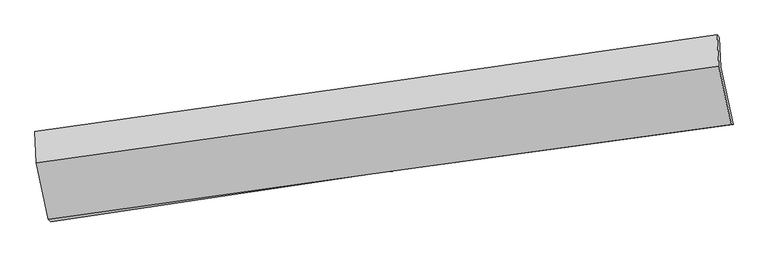
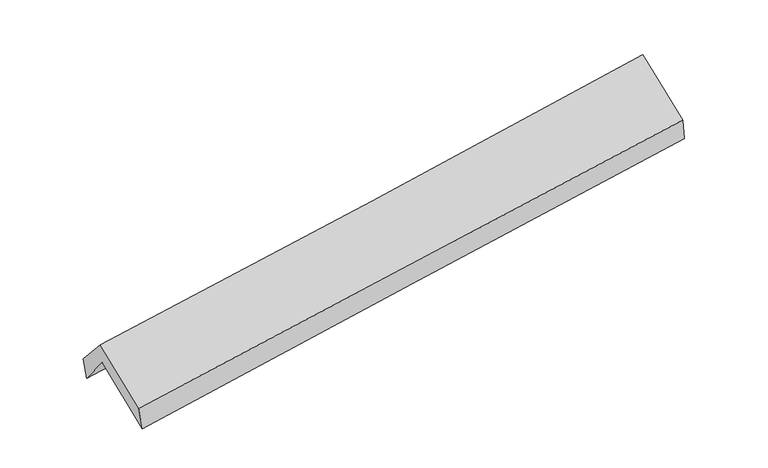
"""IFC4 building model written with IfcOpenShell, lengths in millimetres: proxy geometry."""

from ifc_helpers import new_model, si_unit, frame, origin, place, context, project, spatial, source, transform, mapped, element, save
from ifc_brep_helpers import plane_surface, spline_curve, spline_surface, advanced_brep


def generic_models_155bbd05(model_context):
    return source(origin(), model_context, "Body", "AdvancedBrep", [
        advanced_brep(
        [(-2892.375421, -2506.6513685, 1439.5126601), (-3000.9047488, -1999.0966017, 1874.8312978), (2938.7737659, -1156.58391, 2375.8453921), (3047.2334112, -1658.2864615, 1931.1828532), (-3011.3851053, -1741.2312323, 1553.1791701), (2928.7905287, -900.9062605, 2051.9604776), (-3030.886334, -1717.3907395, 1748.6989811), (2908.8006216, -875.0320929, 2249.878729), (-3017.2706646, -1992.7441859, 2062.6950232), (2922.247025, -1146.9624276, 2559.9712663), (-2913.1238615, -2482.3221528, 1649.3411251), (3030.3827675, -1655.2917798, 2130.7854502)],
        [
            (0, 1),
            (1, 2, spline_curve(3, [(-3000.9047488, -1999.0966017, 1874.8312978), (-2010.77194244, -1856.168971449, 1951.781940328), (-1020.735638597, -1714.496226558, 2032.008135109), (959.157202118, -1433.65862894, 2199.012745697), (1949.01373643, -1294.493810228, 2285.791248873), (2938.7737659, -1156.58391, 2375.8453921)], [4, 2, 4], [0.0, 9.875469659816432, 19.75107137686136])),
            (2, 3),
            (3, 0, spline_curve(3, [(3047.2334112, -1658.2864615, 1931.1828532), (2056.161382036, -1784.880344905, 1837.370505958), (1065.654659222, -1918.874884189, 1749.491581928), (-914.214936457, -2201.663384665, 1585.601676453), (-1903.577824224, -2350.457147522, 1509.590536013), (-2892.375421, -2506.6513685, 1439.5126601)], [4, 2, 4], [0.0, 9.87560171704493, 19.75107137686136])),
            (1, 4),
            (4, 5, spline_curve(3, [(-3011.3851053, -1741.2312323, 1553.1791701), (-2021.34053545, -1597.806500913, 1630.336674924), (-1031.306923833, -1456.067511298, 1710.480238791), (948.751621261, -1175.959142475, 1876.740594439), (1938.776554408, -1037.589808082, 1962.857466925), (2928.7905287, -900.9062605, 2051.9604776)], [4, 2, 4], [0.0, 9.87536077121196, 19.750853598196333])),
            (5, 2),
            (4, 6),
            (6, 7, spline_curve(3, [(-3030.886334, -1717.3907395, 1748.6989811), (-2039.686532016, -1579.433990594, 1821.336579298), (-1049.116023272, -1440.259539864, 1899.420041838), (930.779645211, -1159.473356777, 2066.479812137), (1920.10478839, -1017.861592237, 2155.456265753), (2908.8006216, -875.0320929, 2249.878729)], [4, 2, 4], [0.0, 9.875395846087716, 19.750923748416874])),
            (7, 5),
            (6, 8),
            (8, 9, spline_curve(3, [(-3017.2706646, -1992.7441859, 2062.6950232), (-2026.042652427, -1855.357944001, 2135.98319244), (-1035.472143632, -1716.183493114, 2214.066654985), (944.367103794, -1434.256288498, 2379.825274291), (1933.635825108, -1291.503486531, 2467.500559604), (2922.247025, -1146.9624276, 2559.9712663)], [4, 2, 4], [0.0, 9.8754508982468, 19.751033853471213])),
            (9, 7),
            (8, 10),
            (10, 11, spline_curve(3, [(-2913.1238615, -2482.3221528, 1649.3411251), (-1922.560659209, -2341.810742821, 1725.267894606), (-931.990150264, -2202.636291927, 1803.351356837), (1049.178725717, -1926.959465276, 1963.832740955), (2039.777093285, -1790.457125163, 2046.230720301), (3030.3827675, -1655.2917798, 2130.7854502)], [4, 2, 4], [0.0, 9.875362220636896, 19.750856497065584])),
            (11, 9),
            (10, 0),
            (3, 11),
        ],
        [
            spline_surface(3, 3, [[(-2892.375421, -2506.6513685, 1439.5126601), (-1903.577824273, -2350.457147443, 1509.59053596), (-914.214936431, -2201.663384546, 1585.601676346), (1065.654659196, -1918.874884308, 1749.491582035), (2056.161382064, -1784.880344835, 1837.370506004), (3047.2334112, -1658.2864615, 1931.1828532)], [(-2928.551863616, -2337.466446247, 1584.618872667), (-1939.309197051, -2185.694422155, 1656.987670781), (-949.721837201, -2039.274331884, 1734.403829294), (1030.15550683, -1757.136132566, 1899.331969923), (2020.445500197, -1621.4181666, 1986.844087011), (3011.0801961, -1491.052277646, 2079.403699505)], [(-2964.728306184, -2168.281523953, 1729.725085233), (-1975.04056978, -2020.931696826, 1804.384805601), (-985.22873789, -1876.88527915, 1883.205982201), (994.656354546, -1595.397380752, 2049.172357769), (1984.729618329, -1457.955988428, 2136.317668002), (2974.926981, -1323.818093854, 2227.624545795)], [(-3000.9047488, -1999.0966017, 1874.8312978), (-2010.771942558, -1856.168971538, 1951.781940423), (-1020.735638661, -1714.496226488, 2032.00813515), (959.157202181, -1433.65862901, 2199.012745656), (1949.013736462, -1294.493810193, 2285.791249009), (2938.7737659, -1156.58391, 2375.8453921)]], [4, 4], [4, 2, 4], [0.0, 2.196933642373657], [0.0, 9.875469659816432, 19.75107137686136]),
            spline_surface(3, 3, [[(-3000.9047488, -1999.0966017, 1874.8312978), (-2010.771942558, -1856.168971538, 1951.781940423), (-1020.735638661, -1714.496226488, 2032.00813515), (959.157202181, -1433.65862901, 2199.012745656), (1949.013736462, -1294.493810193, 2285.791249009), (2938.7737659, -1156.58391, 2375.8453921)], [(-3004.398200943, -1913.141478563, 1767.613921922), (-2014.294806778, -1770.048148037, 1844.633518657), (-1024.259400335, -1628.353321438, 1924.832169641), (955.68867521, -1347.758800115, 2091.588695295), (1945.601342413, -1208.859142845, 2178.146654957), (2935.446020157, -1071.358026853, 2267.883753922)], [(-3007.891653157, -1827.186355437, 1660.396545978), (-2017.817671069, -1683.927324547, 1737.485096825), (-1027.783162088, -1542.210416442, 1817.656204149), (952.220148162, -1261.858971275, 1984.164644951), (1942.188948393, -1123.224475437, 2070.502060939), (2932.118274443, -986.132143647, 2159.922115778)], [(-3011.3851053, -1741.2312323, 1553.1791701), (-2021.340535289, -1597.806501046, 1630.336675059), (-1031.306923763, -1456.067511392, 1710.48023864), (948.751621191, -1175.959142381, 1876.74059459), (1938.776554344, -1037.589808088, 1962.857466887), (2928.7905287, -900.9062605, 2051.9604776)]], [4, 4], [4, 2, 4], [0.0, 1.3540241816846044], [0.0, 9.87536077121196, 19.750853598196333]),
            spline_surface(3, 3, [[(-3011.3851053, -1741.2312323, 1553.1791701), (-2021.340535289, -1597.806501046, 1630.336675059), (-1031.306923763, -1456.067511392, 1710.48023864), (948.751621191, -1175.959142381, 1876.74059459), (1938.776554344, -1037.589808088, 1962.857466887), (2928.7905287, -900.9062605, 2051.9604776)], [(-3017.885514864, -1733.284401378, 1618.352440428), (-2027.455867551, -1591.682330906, 1694.00330981), (-1037.243290307, -1450.798187522, 1773.460173022), (942.760962553, -1170.46388052, 1939.987000426), (1932.552632383, -1031.013736082, 2027.057066476), (2922.12722632, -892.281537953, 2117.933228077)], [(-3024.385924436, -1725.337570422, 1683.525710772), (-2033.571199824, -1585.55816073, 1757.669944579), (-1043.179656823, -1445.528863683, 1836.44010745), (936.770303945, -1164.968618689, 2003.233406307), (1926.32871046, -1024.437664115, 2091.256666034), (2915.46392398, -883.656815447, 2183.905978523)], [(-3030.886334, -1717.3907395, 1748.6989811), (-2039.686532086, -1579.43399059, 1821.33657933), (-1049.116023368, -1440.259539813, 1899.420041832), (930.779645307, -1159.473356828, 2066.479812143), (1920.104788499, -1017.861592109, 2155.456265623), (2908.8006216, -875.0320929, 2249.878729)]], [4, 4], [4, 2, 4], [0.0, 0.6262043580646666], [0.0, 9.875395846087716, 19.750923748416874]),
            spline_surface(3, 3, [[(-3030.886334, -1717.3907395, 1748.6989811), (-2039.686532086, -1579.43399059, 1821.33657933), (-1049.116023368, -1440.259539813, 1899.420041832), (930.779645307, -1159.473356828, 2066.479812143), (1920.104788499, -1017.861592109, 2155.456265623), (2908.8006216, -875.0320929, 2249.878729)], [(-3026.347777553, -1809.175221612, 1853.364328456), (-2035.138572166, -1671.408641755, 1926.218783715), (-1044.568063449, -1532.234190979, 2004.302246216), (935.308798153, -1251.067667344, 2170.928299571), (1924.615134021, -1109.075556888, 2259.471030295), (2913.282756072, -965.675537804, 2353.242908087)], [(-3021.809221047, -1900.959703788, 1958.029675844), (-2030.590612188, -1763.383292985, 2031.100988131), (-1040.020103565, -1624.208842108, 2109.184450532), (939.837950962, -1342.661977823, 2275.376786931), (1929.125479526, -1200.289521656, 2363.485795005), (2917.764890528, -1056.318982696, 2456.607087213)], [(-3017.2706646, -1992.7441859, 2062.6950232), (-2026.042652268, -1855.357944151, 2135.983192515), (-1035.472143646, -1716.183493274, 2214.066654917), (944.367103808, -1434.256288339, 2379.825274359), (1933.635825047, -1291.503486436, 2467.500559676), (2922.247025, -1146.9624276, 2559.9712663)]], [4, 4], [4, 2, 4], [0.0, 1.3708981032592782], [0.0, 9.8754508982468, 19.751033853471213]),
            spline_surface(3, 3, [[(-3017.2706646, -1992.7441859, 2062.6950232), (-2026.042652268, -1855.357944151, 2135.983192515), (-1035.472143646, -1716.183493274, 2214.066654917), (944.367103808, -1434.256288339, 2379.825274359), (1933.635825047, -1291.503486436, 2467.500559676), (2922.247025, -1146.9624276, 2559.9712663)], [(-2982.555063557, -2155.936841537, 1924.91039049), (-1991.548654524, -2017.508877053, 1999.078093163), (-1000.978145901, -1878.334426176, 2077.161555564), (979.304311114, -1598.49068064, 2241.16109653), (1969.01624784, -1457.821365996, 2327.077279849), (2958.292272506, -1316.405545014, 2416.909327594)], [(-2947.839462543, -2319.129497163, 1787.12575781), (-1957.054656809, -2179.659809946, 1862.17299384), (-966.484148087, -2040.485359069, 1940.256456241), (1014.241518489, -1762.725072931, 2102.496918731), (2004.396670614, -1624.139245515, 2186.654000041), (2994.337519994, -1485.848662386, 2273.847388906)], [(-2913.1238615, -2482.3221528, 1649.3411251), (-1922.560659065, -2341.810742848, 1725.267894487), (-931.990150342, -2202.636291971, 1803.351356889), (1049.178725795, -1926.959465232, 1963.832740903), (2039.777093408, -1790.457125075, 2046.230720213), (3030.3827675, -1655.2917798, 2130.7854502)]], [4, 4], [4, 2, 4], [0.0, 2.1297546220746715], [0.0, 9.875362220636896, 19.750856497065584]),
            spline_surface(3, 3, [[(-2913.1238615, -2482.3221528, 1649.3411251), (-1922.560659065, -2341.810742848, 1725.267894487), (-931.990150342, -2202.636291971, 1803.351356889), (1049.178725795, -1926.959465232, 1963.832740903), (2039.777093408, -1790.457125075, 2046.230720213), (3030.3827675, -1655.2917798, 2130.7854502)], [(-2906.207714668, -2490.431891362, 1579.398303436), (-1916.233047468, -2344.692877708, 1653.375441648), (-926.065079016, -2202.311989485, 1730.768130035), (1054.670703617, -1924.264604912, 1892.385687941), (2045.238522971, -1788.598198325, 1976.610648825), (3035.999648745, -1656.29000703, 2064.251251215)], [(-2899.291567832, -2498.541629938, 1509.455481764), (-1909.905435869, -2347.575012582, 1581.482988799), (-920.140007757, -2201.987687033, 1658.1849032), (1060.162681373, -1921.569744627, 1820.938634997), (2050.699952501, -1786.739271585, 1906.990577392), (3041.616529955, -1657.28823427, 1997.717052185)], [(-2892.375421, -2506.6513685, 1439.5126601), (-1903.577824273, -2350.457147443, 1509.59053596), (-914.214936431, -2201.663384546, 1585.601676346), (1065.654659196, -1918.874884308, 1749.491582035), (2056.161382064, -1784.880344835, 1837.370506004), (3047.2334112, -1658.2864615, 1931.1828532)]], [4, 4], [4, 2, 4], [0.0, 0.711188992668362], [0.0, 9.875460734525541, 19.751053526160227]),
            plane_surface(frame((2962.7046867, -1232.1771554, 2216.6040281), z_axis=(0.9866263672543099, 0.14134935075687635, 0.08117125401996295), x_axis=(0.1604358675192646, -0.7541841273985246, -0.6367626201289357))),
            plane_surface(frame((-2977.6576892, -2073.2393801, 1721.3763762), z_axis=(-0.9866263672543144, -0.14134935075674485, -0.08117125402013653), x_axis=(-0.09775436671094953, 0.11462485926422687, 0.9885874900217975))),
        ],
        [
            (0, [[1, 2, 3, 4]]),
            (1, [[5, 6, 7, -2]]),
            (2, [[8, 9, 10, -6]]),
            (3, [[11, 12, 13, -9]]),
            (4, [[14, 15, 16, -12]]),
            (5, [[17, -4, 18, -15]]),
            (6, [[-16, -18, -3, -7, -10, -13]]),
            (7, [[-17, -14, -11, -8, -5, -1]]),
        ],
    ),
    ])


if __name__ == "__main__":
    model = new_model("IFC4")
    model_context = context("Model", 3, world=origin())
    ifc_project = project(units=[si_unit("LENGTHUNIT", "METRE", prefix="MILLI")], contexts=[model_context])
    site = spatial("IfcSite", under=ifc_project)
    building = spatial("IfcBuilding", under=site)
    placement = place(None, origin())
    generic_models_shape = generic_models_155bbd05(model_context)
    element("IfcBuildingElementProxy", 1, Name="Generic Models", at=placement, inside=building, context=model_context, shape_type="MappedRepresentation", body=[
        mapped(generic_models_shape, transform((0.0, 0.0, 0.0), x_axis=(1.0, 0.0, 0.0), y_axis=(0.0, 1.0, 0.0), z_axis=(0.0, 0.0, 1.0))),
    ])
    save(model, "model.ifc")
